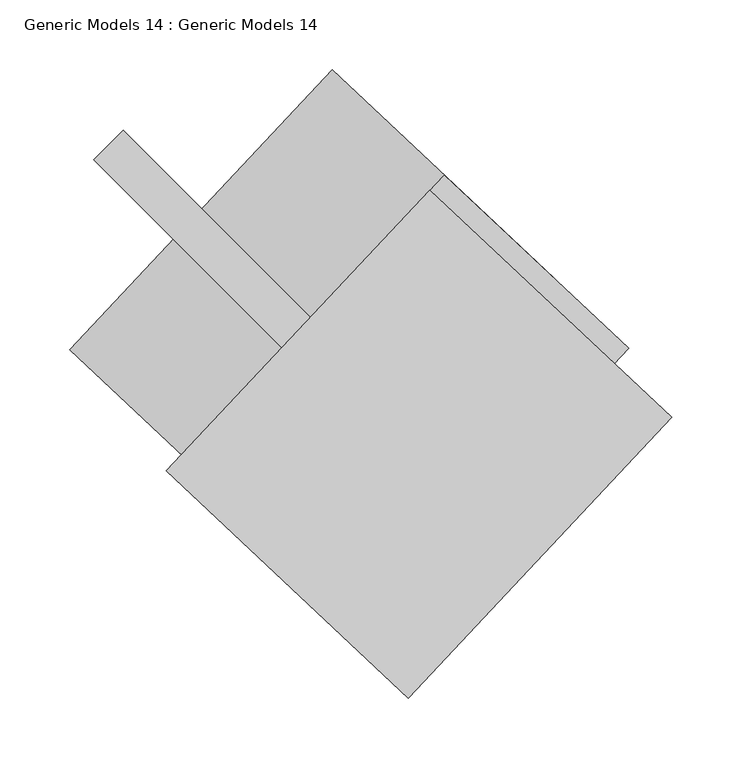
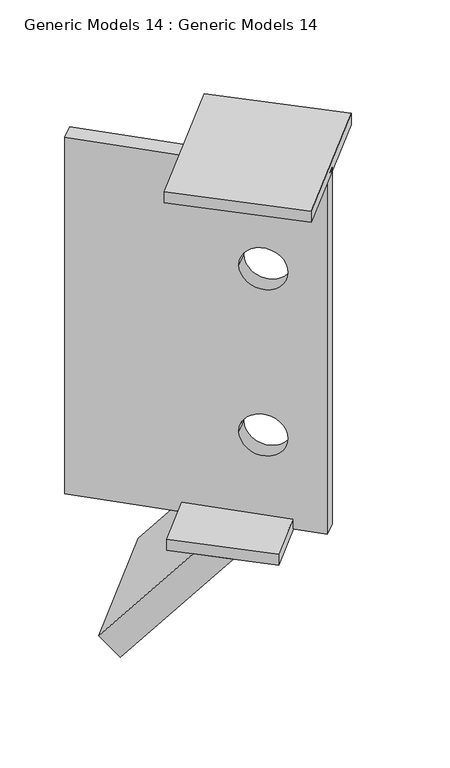
"""IFC4 building model written with IfcOpenShell, lengths in millimetres: proxy geometry, Generic Models 14 : Generic Models 14."""

from ifc_helpers import new_model, si_unit, point, frame, frame_2d, origin, place, context, project, spatial, polyline, circle_curve, trimmed, segment, composite_curve, outline, extrude, source, transform, mapped, element, save


def generic_models_14_generic_models_14_d71aba55(model_context):
    return source(origin(), model_context, "Body", "SweptSolid", [
        extrude(outline(polyline([(0.0, -427.9734597), (0.0, 0.0), (685.8963699, 0.0), (685.8963699, -427.9734597), (0.0, -427.9734597)]), holes=[composite_curve([segment(trimmed(circle_curve(frame_2d((193.913668, -324.0312069)), 40.0), [point((193.913668, -284.0312069))], [point((193.913668, -364.0312069))], True, "CARTESIAN"), True, "CONTINUOUS"), segment(trimmed(circle_curve(frame_2d((193.913668, -324.0312069)), 40.0), [point((193.913668, -364.0312069))], [point((193.913668, -284.0312069))], True, "CARTESIAN"), True, "CONTINUOUS")], self_intersect=False), composite_curve([segment(trimmed(circle_curve(frame_2d((513.913668, -324.0312069)), 40.0), [point((513.913668, -284.0312069))], [point((513.913668, -364.0312069))], True, "CARTESIAN"), True, "CONTINUOUS"), segment(trimmed(circle_curve(frame_2d((513.913668, -324.0312069)), 40.0), [point((513.913668, -364.0312069))], [point((513.913668, -284.0312069))], True, "CARTESIAN"), True, "CONTINUOUS")], self_intersect=False)]), frame((-199185.0591999, -21902.0128207, 26674.4748106), z_axis=(0.7071067811865324, 0.7071067811865627, 0.0), x_axis=(0.0, 0.0, -1.0)), (0.0, 0.0, 1.0), 30.0),
        extrude(outline(polyline([(-284.3744332, 0.0), (0.0, 0.0), (-41.9549816, -50.0), (-280.0, -50.0), (-284.3744332, 0.0)])), frame((-199043.1715986, -22187.3387504, 25986.0359454), z_axis=(0.6843759606125472, 0.7291293057720649, 0.0), x_axis=(0.468675283609632, -0.4399083878490689, 0.7660444431189775)), (0.0, 0.0, 1.0), 274.9930063),
        extrude(outline(polyline([(-198933.7466519, -21912.8946954), (-198801.5872769, -22036.9422388), (-198989.7858797, -22237.4476986), (-199121.9452547, -22113.4001552), (-198933.7466519, -21912.8946954)])), frame((0.0, 0.0, 25986.0359454), z_axis=(0.0, 0.0, 1.0), x_axis=(1.0, 0.0, 0.0)), (0.0, 0.0, 1.0), 21.319048),
        extrude(outline(polyline([(-198944.007505, -21923.8265357), (-198770.4588076, -22086.7229596), (-198959.427741, -22288.0491241), (-199132.9764383, -22125.1527001), (-198944.007505, -21923.8265357)])), frame((0.0, 0.0, 26666.0359454), z_axis=(0.0, 0.0, 1.0), x_axis=(1.0, 0.0, 0.0)), (0.0, 0.0, 1.0), 21.319048),
    ])


if __name__ == "__main__":
    model = new_model("IFC4")
    model_context = context("Model", 3, world=origin())
    ifc_project = project(units=[si_unit("LENGTHUNIT", "METRE", prefix="MILLI")], contexts=[model_context])
    site = spatial("IfcSite", under=ifc_project)
    building = spatial("IfcBuilding", under=site)
    placement = place(None, origin())
    generic_models_14_generic_models_14_shape = generic_models_14_generic_models_14_d71aba55(model_context)
    element("IfcBuildingElementProxy", 1, Name="Generic Models 14 : Generic Models 14", ObjectType="Generic Models 14 : Generic Models 14", at=placement, inside=building, context=model_context, shape_type="MappedRepresentation", body=[
        mapped(generic_models_14_generic_models_14_shape, transform((0.0, 0.0, 0.0), x_axis=(1.0, 0.0, 0.0), y_axis=(0.0, 1.0, 0.0), z_axis=(0.0, 0.0, 1.0))),
    ])
    save(model, "model.ifc")
